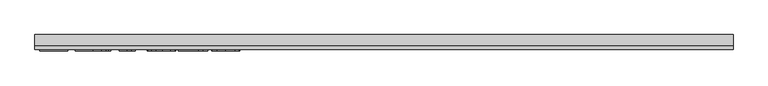
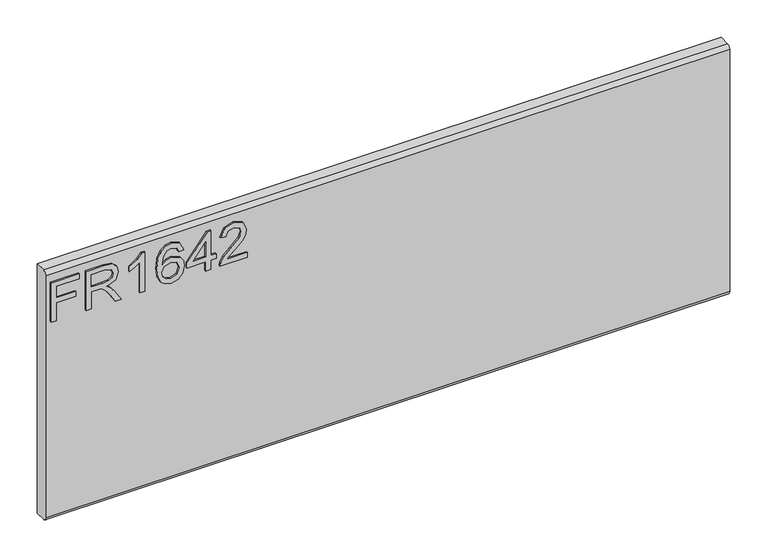
"""IFC4 building model written with IfcOpenShell, lengths in millimetres: furniture geometry."""

from ifc_helpers import new_model, si_unit, frame, origin, place, context, project, spatial, polyline, circle_curve, outline, extrude, source, transform, mapped, element, save
from ifc_brep_helpers import plane_surface, cylinder_surface, advanced_brep


def furniture_a1d8c5c6(model_context):
    return source(origin(), model_context, "Body", "SolidModel", [
        extrude(outline(polyline([(882.65, -520.0729953), (882.65, -512.0992757), (911.5547336, -512.0992757), (911.5547336, -482.1978271), (919.5284532, -482.1978271), (919.5284532, -512.0992757), (938.4660373, -512.0992757), (938.4660373, -477.2142524), (946.4397569, -477.2142524), (946.4397569, -520.0729953), (882.65, -520.0729953)])), frame((0.0, -15.0812439, 0.0), z_axis=(0.0, 1.0, 0.0), x_axis=(0.0, 0.0, 1.0)), (0.0, 0.0, 1.0), 2.38125),
        extrude(outline(polyline([(882.65, -466.2503879), (882.65, -458.2766683), (910.5580187, -458.2766683), (910.5580187, -448.6521395), (910.2776926, -444.0267592), (908.7592596, -440.2345703), (904.62445, -436.0218923), (895.8720468, -430.0260289), (882.65, -421.7252622), (882.65, -412.4589278), (899.936775, -423.0957452), (908.1440996, -429.5588187), (911.5547336, -434.090757), (917.4883023, -420.736334), (928.9816716, -416.4146403), (938.6295609, -419.0232302), (944.7188663, -426.0002349), (946.4397569, -438.7628584), (946.4397569, -466.2503879), (882.65, -466.2503879)]), holes=[polyline([(918.5317383, -458.2766683), (938.4660373, -458.2766683), (938.4660373, -438.4202376), (935.7094975, -427.7600597), (928.6857719, -424.3883599), (923.2739211, -426.1559716), (919.6608294, -431.3264304), (918.5317383, -440.4292412), (918.5317383, -458.2766683)])]), frame((0.0, -15.0812439, 0.0), z_axis=(0.0, 1.0, 0.0), x_axis=(0.0, 0.0, 1.0)), (0.0, 0.0, 1.0), 2.38125),
        extrude(outline(polyline([(882.65, -375.5493273), (946.4397569, -375.5493273), (946.4397569, -380.6886387), (937.9521062, -387.7824459), (930.4923177, -399.4704861), (922.9546609, -399.4704861), (926.9804549, -391.0762774), (932.3611582, -383.5230469), (882.65, -383.5230469), (882.65, -375.5493273)])), frame((0.0, -15.0812439, 0.0), z_axis=(0.0, 1.0, 0.0), x_axis=(0.0, 0.0, 1.0)), (0.0, 0.0, 1.0), 2.38125),
        extrude(outline(polyline([(929.4956028, -315.7464301), (941.938966, -321.6332778), (946.4397569, -334.2323777), (944.6215308, -343.4870318), (939.1668525, -350.6314534), (928.3081103, -355.8642069), (912.4268592, -357.6084581), (898.3015395, -356.037464), (888.8171738, -351.3244818), (883.4442572, -344.1197122), (881.653285, -335.073356), (884.355317, -324.6234227), (892.1421526, -317.3816656), (903.1449512, -314.7497152), (911.3172351, -316.1474522), (917.8309231, -320.3406631), (923.515313, -333.889757), (921.4362279, -342.603226), (915.0743833, -349.6347385), (929.2853582, -347.3687693), (936.5349021, -341.9257713), (938.4660373, -334.7307352), (935.1488454, -326.7414419), (928.4988878, -323.7201497), (929.4956028, -315.7464301)]), holes=[polyline([(903.2695406, -349.6347385), (912.15432, -345.6712392), (915.5415934, -336.0233499), (912.15432, -326.2508713), (902.8801988, -322.7234348), (893.1933754, -326.2975923), (889.6270047, -335.6963028), (891.3478953, -342.8835521), (896.3626174, -347.7892585), (903.2695406, -349.6347385)])]), frame((0.0, -15.0812439, 0.0), z_axis=(0.0, 1.0, 0.0), x_axis=(0.0, 0.0, 1.0)), (0.0, 0.0, 1.0), 2.38125),
        extrude(outline(polyline([(882.65, -281.8581217), (882.65, -273.8844021), (897.6007243, -273.8844021), (897.6007243, -265.9106825), (905.5744439, -265.9106825), (905.5744439, -273.8844021), (945.443042, -273.8844021), (945.443042, -279.8646918), (905.5744439, -310.7628554), (897.6007243, -310.7628554), (897.6007243, -281.8581217), (882.65, -281.8581217)]), holes=[polyline([(905.5744439, -281.8581217), (905.5744439, -300.9514425), (930.2119916, -281.8581217), (905.5744439, -281.8581217)])]), frame((0.0, -15.0812439, 0.0), z_axis=(0.0, 1.0, 0.0), x_axis=(0.0, 0.0, 1.0)), (0.0, 0.0, 1.0), 2.38125),
        extrude(outline(polyline([(890.6237196, -218.0683648), (890.6237196, -249.3870174), (894.6806609, -245.7894994), (902.350694, -236.6166071), (913.2756243, -225.1933193), (921.0936072, -220.4822838), (928.6546245, -219.0650797), (941.3315928, -224.3211938), (946.4397569, -238.5944633), (941.845524, -252.8210119), (928.4988878, -258.9336778), (927.5021729, -250.9599582), (935.5537608, -247.6038321), (938.4660373, -238.7657737), (935.4836793, -230.2859098), (928.1718407, -227.0387994), (919.1391115, -230.4805807), (905.85477, -244.247706), (896.6117962, -254.2304292), (888.1475059, -259.0738409), (882.65, -259.9303928), (882.65, -218.0683648), (890.6237196, -218.0683648)])), frame((0.0, -15.0812439, 0.0), z_axis=(0.0, 1.0, 0.0), x_axis=(0.0, 0.0, 1.0)), (0.0, 0.0, 1.0), 2.38125),
        advanced_brep(
        [(527.05, 9.5250061, 965.2), (527.05, -6.7309939, 965.2), (527.05, -12.6999939, 959.231), (527.05, -12.6999939, 564.769), (527.05, -6.7309939, 558.8), (527.05, 9.5250061, 558.8), (-527.05, 9.5250061, 965.2), (-527.05, 9.5250061, 558.8), (-527.05, -6.7309939, 558.8), (-527.05, -12.6999939, 564.769), (-527.05, -12.6999939, 959.2310121), (-527.05, -6.7309939, 965.2)],
        [
            (0, 1),
            (1, 2, circle_curve(frame((527.05, -6.7309939, 959.231), z_axis=(1.0, 0.0, 0.0), x_axis=(0.0, 1.0, 0.0)), 5.969)),
            (2, 3),
            (3, 4, circle_curve(frame((527.05, -6.7309939, 564.769), z_axis=(1.0, 0.0, 0.0), x_axis=(0.0, 1.0, 0.0)), 5.969)),
            (4, 5),
            (5, 0),
            (6, 7),
            (7, 8),
            (8, 9, circle_curve(frame((-527.05, -6.7309939, 564.769), z_axis=(-1.0, 0.0, 0.0), x_axis=(0.0, 1.0, 0.0)), 5.969)),
            (9, 10),
            (10, 11, circle_curve(frame((-527.05, -6.7309939, 959.231), z_axis=(-1.0, 0.0, 0.0), x_axis=(0.0, 1.0, 0.0)), 5.969)),
            (11, 6),
            (0, 6),
            (11, 1),
            (10, 2),
            (9, 3),
            (8, 4),
            (7, 5),
        ],
        [
            plane_surface(frame((527.05, -6.7309939, 965.2), z_axis=(1.0, 0.0, 0.0), x_axis=(0.0, -1.0, 0.0))),
            plane_surface(frame((-527.05, -6.7309939, 965.2), z_axis=(-1.0, 0.0, 0.0), x_axis=(0.0, 1.0, 0.0))),
            plane_surface(frame((527.05, 9.5250061, 965.2), z_axis=(0.0, 0.0, 1.0), x_axis=(-1.0, 0.0, 0.0))),
            cylinder_surface(frame((-527.05, -6.7309939, 959.231), z_axis=(1.0, 0.0, 0.0), x_axis=(0.0, 1.0, 0.0)), 5.969),
            plane_surface(frame((527.05, -12.6999939, 959.2310121), z_axis=(0.0, -1.0, 0.0), x_axis=(-1.0, 0.0, 0.0))),
            cylinder_surface(frame((-527.05, -6.7309939, 564.769), z_axis=(1.0, 0.0, 0.0), x_axis=(0.0, 1.0, 0.0)), 5.969),
            plane_surface(frame((527.05, -6.7309939, 558.8), z_axis=(0.0, 0.0, -1.0), x_axis=(-1.0, 0.0, 0.0))),
            plane_surface(frame((527.05, 9.5250061, 558.8), z_axis=(0.0, 1.0, 0.0), x_axis=(-1.0, 0.0, 0.0))),
        ],
        [
            (0, [[1, 2, 3, 4, 5, 6]]),
            (1, [[7, 8, 9, 10, 11, 12]]),
            (2, [[-1, 13, -12, 14]]),
            (3, [[-2, -14, -11, 15]]),
            (4, [[-3, -15, -10, 16]]),
            (5, [[-4, -16, -9, 17]]),
            (6, [[-5, -17, -8, 18]]),
            (7, [[-6, -18, -7, -13]]),
        ],
    ),
    ])


if __name__ == "__main__":
    model = new_model("IFC4")
    model_context = context("Model", 3, world=origin())
    ifc_project = project(units=[si_unit("LENGTHUNIT", "METRE", prefix="MILLI")], contexts=[model_context])
    site = spatial("IfcSite", under=ifc_project)
    building = spatial("IfcBuilding", under=site)
    placement = place(None, origin())
    furniture_shape = furniture_a1d8c5c6(model_context)
    element("IfcFurniture", 1, at=placement, inside=building, context=model_context, shape_type="MappedRepresentation", body=[
        mapped(furniture_shape, transform((0.0, 0.0, 0.0), x_axis=(1.0, 0.0, 0.0), y_axis=(0.0, 1.0, 0.0), z_axis=(0.0, 0.0, 1.0))),
    ])
    save(model, "model.ifc")
